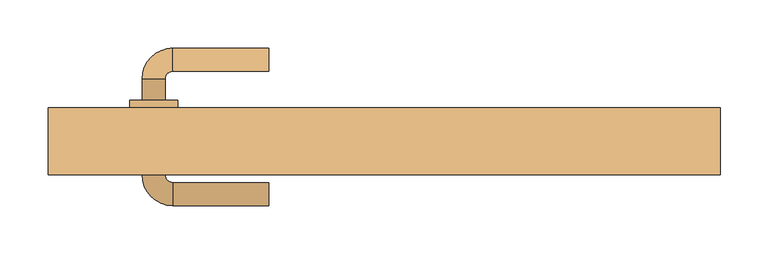
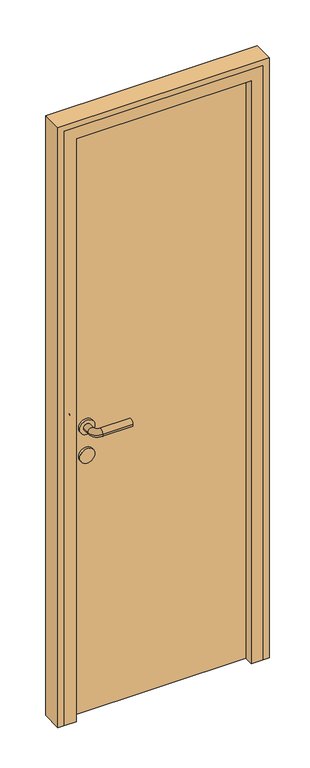
"""IFC4 building model written with IfcOpenShell, lengths in millimetres: door geometry."""

from ifc_helpers import new_model, si_unit, point, frame, frame_2d, origin, origin_with_axes, place, context, project, spatial, polyline, circle_curve, ellipse_curve, trimmed, segment, composite_curve, outline, extrude, faceted_brep, source, transform, mapped, element, save
from ifc_brep_helpers import plane_surface, cylinder_surface, revolved_surface, advanced_brep


def door_b3697929(model_context):
    return source(origin(), model_context, "Body", "SolidModel", [
        advanced_brep(
        [(-120.0, 152.0, 1000.0), (-120.0, 128.0, 1000.0), (-220.0, 152.0, 1000.0), (-220.0, 128.0, 1000.0), (-252.0, 120.0, 1000.0), (-228.0, 120.0, 1000.0), (-252.0, 98.0, 1000.0), (-228.0, 98.0, 1000.0), (-252.0, 20.0, 1000.0), (-228.0, 20.0, 1000.0), (-228.0, 42.0, 1000.0), (-252.0, 42.0, 1000.0), (-220.0, -12.0, 1000.0), (-220.0, 12.0, 1000.0), (-120.0, -12.0, 1000.0), (-120.0, 12.0, 1000.0), (-265.0, 98.0, 1000.0), (-215.0, 98.0, 1000.0), (-265.0, 42.0, 1000.0), (-215.0, 42.0, 1000.0)],
        [
            (0, 1, circle_curve(frame((-120.0, 140.0, 1000.0), z_axis=(1.0, 0.0, 0.0), x_axis=(0.0, -1.0, 0.0)), 12.0)),
            (1, 0, circle_curve(frame((-120.0, 140.0, 1000.0), z_axis=(1.0, 0.0, 0.0), x_axis=(0.0, -1.0, 0.0)), 12.0)),
            (0, 2),
            (2, 3, circle_curve(frame((-220.0, 140.0, 1000.0), z_axis=(1.0, 0.0, 0.0), x_axis=(0.0, -1.0, 0.0)), 12.0)),
            (3, 1),
            (3, 2, circle_curve(frame((-220.0, 140.0, 1000.0), z_axis=(1.0, 0.0, 0.0), x_axis=(0.0, -1.0, 0.0)), 12.0)),
            (2, 4, circle_curve(frame((-220.0, 120.0, 1000.0), z_axis=(0.0, 0.0, 1.0), x_axis=(0.0, 1.0, 0.0)), 32.0)),
            (4, 5, circle_curve(frame((-240.0, 120.0, 1000.0), z_axis=(0.0, 1.0, 0.0), x_axis=(1.0, 0.0, 0.0)), 12.0)),
            (5, 3, circle_curve(frame((-220.0, 120.0, 1000.0), z_axis=(0.0, 0.0, -1.0), x_axis=(0.0, 1.0, 0.0)), 8.0)),
            (5, 4, circle_curve(frame((-240.0, 120.0, 1000.0), z_axis=(0.0, 1.0, 0.0), x_axis=(1.0, 0.0, 0.0)), 12.0)),
            (4, 6),
            (6, 7, circle_curve(frame((-240.0, 98.0, 1000.0), z_axis=(0.0, 1.0, 0.0), x_axis=(1.0, 0.0, 0.0)), 12.0)),
            (7, 5),
            (8, 9, circle_curve(frame((-240.0, 20.0, 1000.0), z_axis=(0.0, 1.0, 0.0), x_axis=(1.0, 0.0, 0.0)), 12.0)),
            (9, 10),
            (10, 11, circle_curve(frame((-240.0, 42.0, 1000.0), z_axis=(0.0, -1.0, 0.0), x_axis=(1.0, 0.0, 0.0)), 12.0)),
            (11, 8),
            (7, 6, circle_curve(frame((-240.0, 98.0, 1000.0), z_axis=(0.0, 1.0, 0.0), x_axis=(1.0, 0.0, 0.0)), 12.0)),
            (9, 8, circle_curve(frame((-240.0, 20.0, 1000.0), z_axis=(0.0, 1.0, 0.0), x_axis=(1.0, 0.0, 0.0)), 12.0)),
            (11, 10, circle_curve(frame((-240.0, 42.0, 1000.0), z_axis=(0.0, -1.0, 0.0), x_axis=(1.0, 0.0, 0.0)), 12.0)),
            (8, 12, circle_curve(frame((-220.0, 20.0, 1000.0), z_axis=(0.0, 0.0, 1.0), x_axis=(-1.0, 0.0, 0.0)), 32.0)),
            (12, 13, circle_curve(frame((-220.0, 0.0, 1000.0), z_axis=(-1.0, 0.0, 0.0), x_axis=(0.0, 1.0, 0.0)), 12.0)),
            (13, 9, circle_curve(frame((-220.0, 20.0, 1000.0), z_axis=(0.0, 0.0, -1.0), x_axis=(-1.0, 0.0, 0.0)), 8.0)),
            (13, 12, circle_curve(frame((-220.0, 0.0, 1000.0), z_axis=(-1.0, 0.0, 0.0), x_axis=(0.0, 1.0, 0.0)), 12.0)),
            (14, 15, circle_curve(frame((-120.0, 0.0, 1000.0), z_axis=(1.0, 0.0, 0.0), x_axis=(0.0, 1.0, 0.0)), 12.0)),
            (15, 14, circle_curve(frame((-120.0, 0.0, 1000.0), z_axis=(1.0, 0.0, 0.0), x_axis=(0.0, 1.0, 0.0)), 12.0)),
            (12, 14),
            (15, 13),
            (16, 17, circle_curve(frame((-240.0, 98.0, 1000.0), z_axis=(0.0, 1.0, 0.0), x_axis=(1.0, 0.0, 0.0)), 25.0)),
            (17, 16, circle_curve(frame((-240.0, 98.0, 1000.0), z_axis=(0.0, 1.0, 0.0), x_axis=(1.0, 0.0, 0.0)), 25.0)),
            (18, 19, circle_curve(frame((-240.0, 42.0, 1000.0), z_axis=(0.0, -1.0, 0.0), x_axis=(1.0, 0.0, 0.0)), 25.0)),
            (19, 18, circle_curve(frame((-240.0, 42.0, 1000.0), z_axis=(0.0, -1.0, 0.0), x_axis=(1.0, 0.0, 0.0)), 25.0)),
            (17, 19),
            (18, 16),
        ],
        [
            plane_surface(frame((-120.0, 140.0, 1000.0), z_axis=(1.0, 0.0, 0.0), x_axis=(0.0, 0.0, 1.0))),
            cylinder_surface(frame((-120.0, 140.0, 1000.0), z_axis=(1.0, 0.0, 0.0), x_axis=(0.0, -1.0, 0.0)), 12.0),
            revolved_surface(trimmed(ellipse_curve(frame((-220.0, 140.0, 1000.0), z_axis=(1.0, 0.0, 0.0), x_axis=(0.0, -1.0, 0.0)), 12.0, 12.0), [point((-220.0, 152.0, 1000.0))], [point((-220.0, 128.0, 1000.0))], True, "CARTESIAN"), (-220.0, 120.0, 1000.0), (0.0, 0.0, 1.0)),
            revolved_surface(trimmed(ellipse_curve(frame((-220.0, 140.0, 1000.0), z_axis=(1.0, 0.0, 0.0), x_axis=(0.0, -1.0, 0.0)), 12.0, 12.0), [point((-220.0, 128.0, 1000.0))], [point((-220.0, 152.0, 1000.0))], True, "CARTESIAN"), (-220.0, 120.0, 1000.0), (0.0, 0.0, 1.0)),
            cylinder_surface(frame((-240.0, 120.0, 1000.0), z_axis=(0.0, 1.0, 0.0), x_axis=(1.0, 0.0, 0.0)), 12.0),
            revolved_surface(trimmed(ellipse_curve(frame((-240.0, 20.0, 1000.0), z_axis=(0.0, 1.0, 0.0), x_axis=(1.0, 0.0, 0.0)), 12.0, 12.0), [point((-252.0, 20.0, 1000.0))], [point((-228.0, 20.0, 1000.0))], True, "CARTESIAN"), (-220.0, 20.0, 1000.0), (0.0, 0.0, 1.0)),
            revolved_surface(trimmed(ellipse_curve(frame((-240.0, 20.0, 1000.0), z_axis=(0.0, 1.0, 0.0), x_axis=(1.0, 0.0, 0.0)), 12.0, 12.0), [point((-228.0, 20.0, 1000.0))], [point((-252.0, 20.0, 1000.0))], True, "CARTESIAN"), (-220.0, 20.0, 1000.0), (0.0, 0.0, 1.0)),
            plane_surface(frame((-120.0, 0.0, 1000.0), z_axis=(1.0, 0.0, 0.0), x_axis=(0.0, 0.0, 1.0))),
            cylinder_surface(frame((-220.0, 0.0, 1000.0), z_axis=(-1.0, 0.0, 0.0), x_axis=(0.0, 1.0, 0.0)), 12.0),
            plane_surface(frame((-215.0, 98.0, 1000.0), z_axis=(0.0, 1.0, 0.0), x_axis=(0.0, 0.0, -1.0))),
            plane_surface(frame((-215.0, 42.0, 1000.0), z_axis=(0.0, -1.0, 0.0), x_axis=(0.0, 0.0, 1.0))),
            cylinder_surface(frame((-240.0, 98.0, 1000.0), z_axis=(0.0, -1.0, 0.0), x_axis=(1.0, 0.0, 0.0)), 25.0),
        ],
        [
            (0, [[1, 2]]),
            (1, [[-1, 3, 4, 5]]),
            (1, [[-2, -5, 6, -3]]),
            (2, [[-4, 7, 8, 9]]),
            (3, [[-6, -9, 10, -7]]),
            (4, [[-8, 11, 12, 13]]),
            (4, [[14, 15, 16, 17]]),
            (4, [[-10, -13, 18, -11]]),
            (4, [[19, -17, 20, -15]]),
            (5, [[-14, 21, 22, 23]]),
            (6, [[-19, -23, 24, -21]]),
            (7, [[25, 26]]),
            (8, [[-22, 27, -26, 28]]),
            (8, [[-24, -28, -25, -27]]),
            (9, [[29, 30], [-12, -18]]),
            (10, [[31, 32], [-16, -20]]),
            (11, [[-30, 33, -31, 34]]),
            (11, [[-29, -34, -32, -33]]),
        ],
    ),
        extrude(outline(composite_curve([segment(trimmed(circle_curve(frame_2d((900.0, -240.0)), 25.0), [point((900.0, -265.0))], [point((900.0, -215.0))], False, "CARTESIAN"), True, "CONTINUOUS"), segment(trimmed(circle_curve(frame_2d((900.0, -240.0)), 25.0), [point((900.0, -215.0))], [point((900.0, -265.0))], False, "CARTESIAN"), True, "CONTINUOUS")], self_intersect=False)), frame((0.0, 42.0, 0.0), z_axis=(0.0, 1.0, 0.0), x_axis=(0.0, 0.0, 1.0)), (0.0, 0.0, 1.0), 56.0),
        extrude(outline(polyline([(300.0, 50.0), (-300.0, 50.0), (-300.0, 90.0), (300.0, 90.0), (300.0, 50.0)])), origin_with_axes(), (0.0, 0.0, 1.0), 2050.0),
        extrude(outline(polyline([(0.0, 350.0), (2100.0, 350.0), (2100.0, -350.0), (0.0, -350.0), (0.0, -330.0), (2080.0, -330.0), (2080.0, 330.0), (0.0, 330.0), (0.0, 350.0)])), frame((0.0, 20.0, 0.0), z_axis=(0.0, 1.0, 0.0), x_axis=(0.0, 0.0, 1.0)), (0.0, 0.0, 1.0), 70.0),
        faceted_brep([(-330.0, 20.0, 0.0), (-330.0, 90.0, 0.0), (-300.0, 90.0, 0.0), (-300.0, 50.0, 0.0), (-290.0, 50.0, 0.0), (-290.0, 20.0, 0.0), (-330.0, 20.0, 2080.0), (-330.0, 90.0, 2080.0), (330.0, 90.0, 2080.0), (330.0, 90.0, 0.0), (300.0, 90.0, 0.0), (300.0, 90.0, 2050.0), (-300.0, 90.0, 2050.0), (-300.0, 50.0, 2050.0), (300.0, 50.0, 2050.0), (300.0, 50.0, 0.0), (290.0, 50.0, 0.0), (290.0, 50.0, 2040.0), (-290.0, 50.0, 2040.0), (-290.0, 20.0, 2040.0), (290.0, 20.0, 2040.0), (290.0, 20.0, 0.0), (330.0, 20.0, 0.0), (330.0, 20.0, 2080.0)], [[[0, 1, 2, 3, 4, 5]], [[1, 0, 6, 7]], [[2, 1, 7, 8, 9, 10, 11, 12]], [[3, 2, 12, 13]], [[4, 3, 13, 14, 15, 16, 17, 18]], [[5, 4, 18, 19]], [[0, 5, 19, 20, 21, 22, 23, 6]], [[7, 6, 23, 8]], [[13, 12, 11, 14]], [[19, 18, 17, 20]], [[22, 21, 16, 15, 10, 9]], [[8, 23, 22, 9]], [[14, 11, 10, 15]], [[20, 17, 16, 21]]]),
    ])


if __name__ == "__main__":
    model = new_model("IFC4")
    model_context = context("Model", 3, world=origin())
    ifc_project = project(units=[si_unit("LENGTHUNIT", "METRE", prefix="MILLI")], contexts=[model_context])
    site = spatial("IfcSite", under=ifc_project)
    building = spatial("IfcBuilding", under=site)
    placement = place(None, origin())
    door_shape = door_b3697929(model_context)
    element("IfcDoor", 1, at=placement, inside=building, context=model_context, shape_type="MappedRepresentation", body=[
        mapped(door_shape, transform((0.0, 0.0, 0.0), x_axis=(1.0, 0.0, 0.0), y_axis=(0.0, 1.0, 0.0), z_axis=(0.0, 0.0, 1.0))),
    ])
    save(model, "model.ifc")
